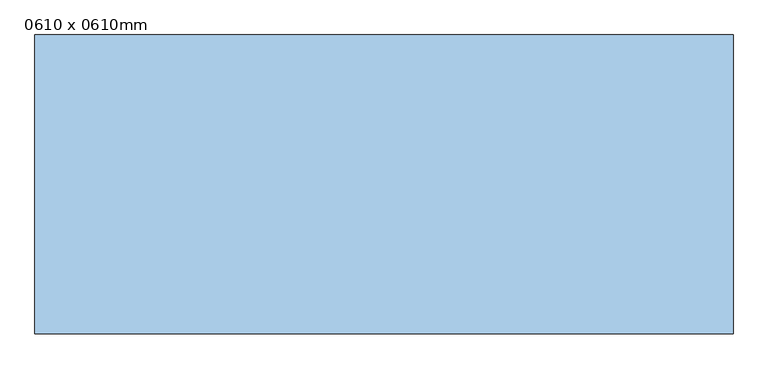
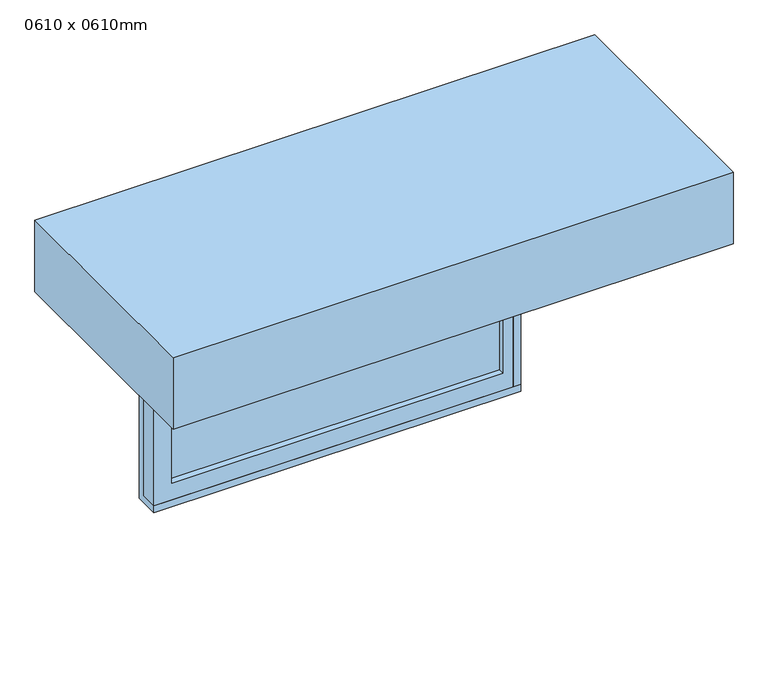
"""IFC4 building model written with IfcOpenShell, lengths in millimetres: window geometry, 0610 x 0610mm."""

from ifc_helpers import new_model, si_unit, frame, origin, place, context, project, spatial, polyline, outline, extrude, source, transform, mapped, element, save


def window_0610_x_0610mm_92e28c0b(model_context):
    return source(origin(), model_context, "Body", "SweptSolid", [
        extrude(outline(polyline([(375.95, 227.425), (-452.15, 227.425), (-452.15, 240.125), (375.95, 240.125), (375.95, 227.425)])), frame((0.0, 0.0, 2222.5), z_axis=(0.0, 0.0, 1.0), x_axis=(1.0, 0.0, 0.0)), (0.0, 0.0, 1.0), 483.0),
        extrude(outline(polyline([(2749.95, -496.6), (2178.05, -496.6), (2178.05, 420.4), (2749.95, 420.4), (2749.95, -496.6)]), holes=[polyline([(2705.5, -452.15), (2705.5, 375.95), (2222.5, 375.95), (2222.5, -452.15), (2705.5, -452.15)])]), frame((0.0, 211.55, 0.0), z_axis=(0.0, 1.0, 0.0), x_axis=(0.0, 0.0, 1.0)), (0.0, 0.0, 1.0), 44.45),
        extrude(outline(polyline([(2769.0, 420.4), (2769.0, -496.6), (2159.0, -496.6), (2159.0, 420.4), (2769.0, 420.4)]), holes=[polyline([(2749.95, 401.35), (2178.05, 401.35), (2178.05, -477.55), (2749.95, -477.55), (2749.95, 401.35)])]), frame((0.0, 211.55, 0.0), z_axis=(0.0, 1.0, 0.0), x_axis=(0.0, 0.0, 1.0)), (0.0, 0.0, 1.0), 63.45),
        extrude(outline(polyline([(661.9, 308.8), (661.9, -290.0365913), (-738.1, -290.0365913), (-738.1, 308.8), (661.9, 308.8)])), frame((0.0, 0.0, 2769.0), z_axis=(0.0, 0.0, 1.0), x_axis=(1.0, 0.0, 0.0)), (0.0, 0.0, 1.0), 189.05),
    ])


if __name__ == "__main__":
    model = new_model("IFC4")
    model_context = context("Model", 3, world=origin())
    ifc_project = project(units=[si_unit("LENGTHUNIT", "METRE", prefix="MILLI")], contexts=[model_context])
    site = spatial("IfcSite", under=ifc_project)
    building = spatial("IfcBuilding", under=site)
    placement = place(None, origin())
    window_0610_x_0610mm_shape = window_0610_x_0610mm_92e28c0b(model_context)
    element("IfcWindow", 1, ObjectType="0610 x 0610mm", at=placement, inside=building, context=model_context, shape_type="MappedRepresentation", body=[
        mapped(window_0610_x_0610mm_shape, transform((0.0, 0.0, 0.0), x_axis=(1.0, 0.0, 0.0), y_axis=(0.0, 1.0, 0.0), z_axis=(0.0, 0.0, 1.0))),
    ])
    save(model, "model.ifc")
